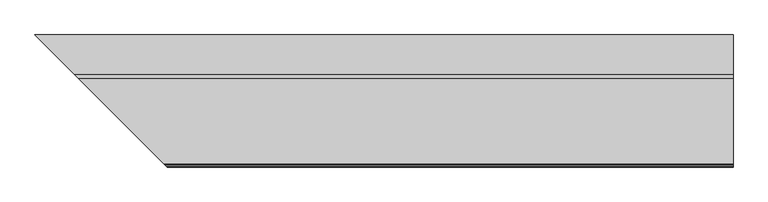
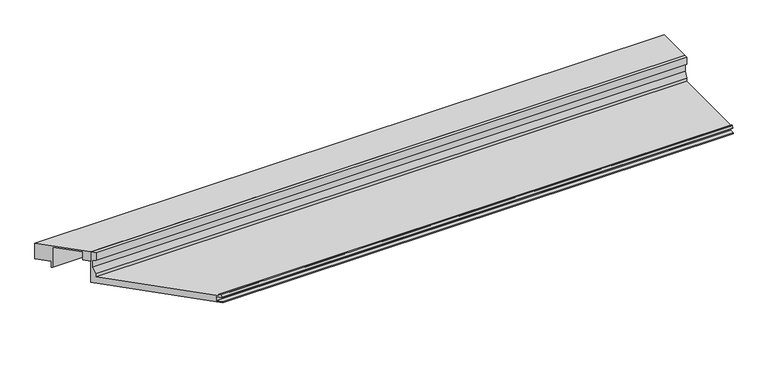
"""IFC4 building model written with IfcOpenShell, lengths in millimetres: proxy geometry."""

from ifc_helpers import new_model, si_unit, frame, origin, place, context, project, spatial, polyline, circle_curve, ellipse_curve, faceted_brep, source, transform, mapped, element, save
from ifc_brep_helpers import plane_surface, cylinder_surface, revolved_surface, advanced_brep


def specialty_equipment_5cbdee59(model_context):
    return source(origin(), model_context, "Body", "SolidModel", [
        faceted_brep([(-165.632524, 165.632524, 63.5), (-235.482524, 235.482524, 63.5), (-235.482524, 235.482524, 31.75), (-215.241899, 215.241899, 31.75), (-215.241899, 215.241899, 19.05), (-212.9598677, 212.9598677, 19.05), (-212.9598677, 212.9598677, 61.1898306), (-175.284524, 175.284524, 61.1898306), (-175.284524, 175.284524, 44.45), (-165.632524, 165.632524, 44.45), (1008.5876965, 235.482524, 63.5), (1008.5876965, 165.632524, 63.5), (1008.5876965, 165.632524, 44.45), (1008.5876965, 175.284524, 44.45), (1008.5876965, 175.284524, 61.1898306), (1008.5876965, 212.9598677, 61.1898306), (1008.5876965, 212.9598677, 19.05), (1008.5876965, 215.241899, 19.05), (1008.5876965, 215.241899, 31.75), (1008.5876965, 235.482524, 31.75)], [[[0, 1, 2, 3, 4, 5, 6, 7, 8, 9]], [[10, 11, 12, 13, 14, 15, 16, 17, 18, 19]], [[10, 1, 0, 11]], [[11, 0, 9, 12]], [[12, 9, 8, 13]], [[13, 8, 7, 14]], [[14, 7, 6, 15]], [[15, 6, 5, 16]], [[16, 5, 4, 17]], [[17, 4, 3, 18]], [[18, 3, 2, 19]], [[1, 10, 19, 2]]]),
        advanced_brep(
        [(-165.632524, 165.632524, 0.0), (0.0, 0.0, 0.0), (0.0, 0.0, 1.651), (-8.368424, 8.368424, 1.7970714), (-8.368424, 8.368424, 9.7466904), (-7.805541, 7.805541, 10.3095735), (-1.0402986, 1.0402986, 10.3095735), (-0.5832573, 0.5832573, 11.0269846), (-2.843924, 2.843924, 15.875), (-5.206124, 5.206124, 15.875), (-5.206124, 5.206124, 12.7), (-159.282524, 159.282524, 12.7), (-159.282524, 159.282524, 19.05), (-163.346524, 163.346524, 31.75), (-163.346524, 163.346524, 46.0298451), (-158.495124, 158.495124, 48.3942822), (-158.495124, 158.495124, 63.5), (-165.632524, 165.632524, 63.5), (1008.5876965, 0.0, 0.0), (1008.5876965, 165.632524, 0.0), (1008.5876965, 165.632524, 63.5), (1008.5876965, 158.495124, 63.5), (1008.5876965, 158.495124, 48.3942822), (1008.5876965, 163.346524, 46.0298451), (1008.5876965, 163.346524, 31.75), (1008.5876965, 159.282524, 19.05), (1008.5876965, 159.282524, 12.7), (1008.5876965, 5.206124, 12.7), (1008.5876965, 5.206124, 15.875), (1008.5876965, 2.843924, 15.875), (1008.5876965, 0.5832573, 11.0269846), (1008.5876965, 1.0402986, 10.3095735), (1008.5876965, 7.805541, 10.3095735), (1008.5876965, 8.368424, 9.7466904), (1008.5876965, 8.368424, 1.7970714), (1008.5876965, 0.0, 1.651)],
        [
            (0, 1),
            (1, 2),
            (2, 3),
            (3, 4),
            (4, 5, ellipse_curve(frame((-7.805541, 7.805541, 9.7466904), z_axis=(0.7071067811865487, 0.7071067811865465, 0.0), x_axis=(0.7071067811865462, -0.7071067811865487, 0.0)), 0.7960368, 0.562883)),
            (5, 6),
            (6, 7, ellipse_curve(frame((-1.0402986, 1.0402986, 10.8138628), z_axis=(-0.7071067811865487, -0.7071067811865465, 0.0), x_axis=(-0.7071067811865462, 0.7071067811865487, 0.0)), 0.7131728, 0.5042893)),
            (7, 8),
            (8, 9),
            (9, 10),
            (10, 11),
            (11, 12),
            (12, 13),
            (13, 14),
            (14, 15),
            (15, 16),
            (16, 17),
            (17, 0),
            (18, 19),
            (19, 20),
            (20, 21),
            (21, 22),
            (22, 23),
            (23, 24),
            (24, 25),
            (25, 26),
            (26, 27),
            (27, 28),
            (28, 29),
            (29, 30),
            (30, 31, circle_curve(frame((1008.5876965, 1.0402986, 10.8138628), z_axis=(1.0, 0.0, 0.0), x_axis=(0.0, 1.0, 0.0)), 0.5042893)),
            (31, 32),
            (32, 33, circle_curve(frame((1008.5876965, 7.805541, 9.7466904), z_axis=(-1.0, 0.0, 0.0), x_axis=(0.0, 1.0, 0.0)), 0.562883)),
            (33, 34),
            (34, 35),
            (35, 18),
            (0, 19),
            (18, 1),
            (35, 2),
            (34, 3),
            (33, 4),
            (32, 5),
            (31, 6),
            (30, 7),
            (29, 8),
            (28, 9),
            (27, 10),
            (26, 11),
            (25, 12),
            (24, 13),
            (23, 14),
            (22, 15),
            (21, 16),
            (20, 17),
        ],
        [
            plane_surface(frame((0.0, 0.0, 304.8), z_axis=(-0.7071067811865487, -0.7071067811865465, 0.0), x_axis=(0.0, 0.0, -1.0))),
            plane_surface(frame((1008.5876965, 508.0, 304.8), z_axis=(1.0, 0.0, 0.0), x_axis=(0.0, 0.0, -1.0))),
            plane_surface(frame((-406.4, 165.632524, 0.0), z_axis=(0.0, 0.0, -1.0), x_axis=(1.0, 0.0, 0.0))),
            plane_surface(frame((-406.4, 0.0, 0.0), z_axis=(0.0, -1.0, 0.0), x_axis=(1.0, 0.0, 0.0))),
            plane_surface(frame((-406.4, 0.0, 1.651), z_axis=(0.0, -0.01745240643728535, 0.9998476951563913), x_axis=(1.0, 0.0, 0.0))),
            plane_surface(frame((-406.4, 8.368424, 1.7970714), z_axis=(0.0, -1.0, 0.0), x_axis=(1.0, 0.0, 0.0))),
            revolved_surface(polyline([(1008.5876964999999, 8.368424, 9.7466904), (-8.368424019354052, 8.368424, 9.7466904)]), (-406.4, 7.805541, 9.7466904), (1.0, 0.0, 0.0)),
            plane_surface(frame((-406.4, 7.805541, 10.3095735), z_axis=(0.0, 0.0, -1.0), x_axis=(1.0, 0.0, 0.0))),
            cylinder_surface(frame((-406.4, 1.0402986, 10.8138628), z_axis=(-1.0, 0.0, 0.0), x_axis=(0.0, 1.0, 0.0)), 0.5042893),
            plane_surface(frame((-406.4, 0.5832573, 11.0269846), z_axis=(0.0, -0.9063077870366325, 0.4226182617407369), x_axis=(1.0, 0.0, 0.0))),
            plane_surface(frame((-406.4, 2.843924, 15.875), z_axis=(0.0, 0.0, 1.0), x_axis=(1.0, 0.0, 0.0))),
            plane_surface(frame((-406.4, 5.206124, 15.875), z_axis=(0.0, 1.0, 0.0), x_axis=(1.0, 0.0, 0.0))),
            plane_surface(frame((-406.4, 5.206124, 12.7), z_axis=(0.0, 0.0, 1.0), x_axis=(1.0, 0.0, 0.0))),
            plane_surface(frame((-406.4, 159.282524, 12.7), z_axis=(0.0, -1.0, 0.0), x_axis=(1.0, 0.0, 0.0))),
            plane_surface(frame((-406.4, 159.282524, 19.05), z_axis=(0.0, -0.9524241471993259, 0.3047757271037786), x_axis=(1.0, 0.0, 0.0))),
            plane_surface(frame((-406.4, 163.346524, 31.75), z_axis=(0.0, -1.0, 0.0), x_axis=(1.0, 0.0, 0.0))),
            plane_surface(frame((-406.4, 163.346524, 46.0298451), z_axis=(0.0, -0.4381093610951833, -0.8989216805266022), x_axis=(1.0, 0.0, 0.0))),
            plane_surface(frame((-406.4, 158.495124, 48.3942822), z_axis=(0.0, -1.0, 0.0), x_axis=(1.0, 0.0, 0.0))),
            plane_surface(frame((-406.4, 158.495124, 63.5), z_axis=(0.0, 0.0, 1.0), x_axis=(1.0, 0.0, 0.0))),
            plane_surface(frame((-406.4, 165.632524, 63.5), z_axis=(0.0, 1.0, 0.0), x_axis=(1.0, 0.0, 0.0))),
        ],
        [
            (0, [[1, 2, 3, 4, 5, 6, 7, 8, 9, 10, 11, 12, 13, 14, 15, 16, 17, 18]]),
            (1, [[19, 20, 21, 22, 23, 24, 25, 26, 27, 28, 29, 30, 31, 32, 33, 34, 35, 36]]),
            (2, [[37, -19, 38, -1]]),
            (3, [[-38, -36, 39, -2]]),
            (4, [[-39, -35, 40, -3]]),
            (5, [[-40, -34, 41, -4]]),
            (6, [[-41, -33, 42, -5]]),
            (7, [[-42, -32, 43, -6]]),
            (8, [[-43, -31, 44, -7]]),
            (9, [[-44, -30, 45, -8]]),
            (10, [[-45, -29, 46, -9]]),
            (11, [[-46, -28, 47, -10]]),
            (12, [[-47, -27, 48, -11]]),
            (13, [[-48, -26, 49, -12]]),
            (14, [[-49, -25, 50, -13]]),
            (15, [[-50, -24, 51, -14]]),
            (16, [[-51, -23, 52, -15]]),
            (17, [[-52, -22, 53, -16]]),
            (18, [[-53, -21, 54, -17]]),
            (19, [[-37, -18, -54, -20]]),
        ],
    ),
    ])


if __name__ == "__main__":
    model = new_model("IFC4")
    model_context = context("Model", 3, world=origin())
    ifc_project = project(units=[si_unit("LENGTHUNIT", "METRE", prefix="MILLI")], contexts=[model_context])
    site = spatial("IfcSite", under=ifc_project)
    building = spatial("IfcBuilding", under=site)
    placement = place(None, origin())
    specialty_equipment_shape = specialty_equipment_5cbdee59(model_context)
    element("IfcBuildingElementProxy", 1, Name="Specialty Equipment", at=placement, inside=building, context=model_context, shape_type="MappedRepresentation", body=[
        mapped(specialty_equipment_shape, transform((0.0, 0.0, 0.0), x_axis=(1.0, 0.0, 0.0), y_axis=(0.0, 1.0, 0.0), z_axis=(0.0, 0.0, 1.0))),
    ])
    save(model, "model.ifc")
